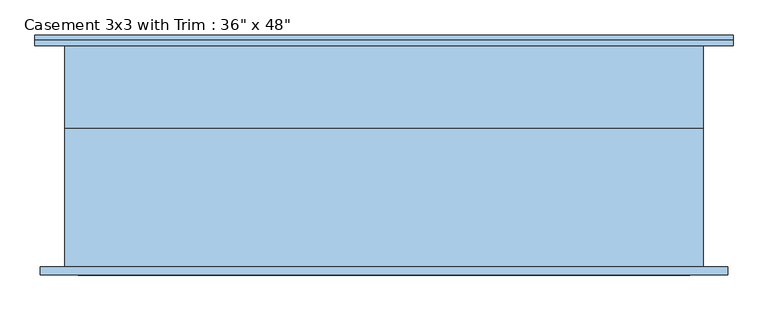
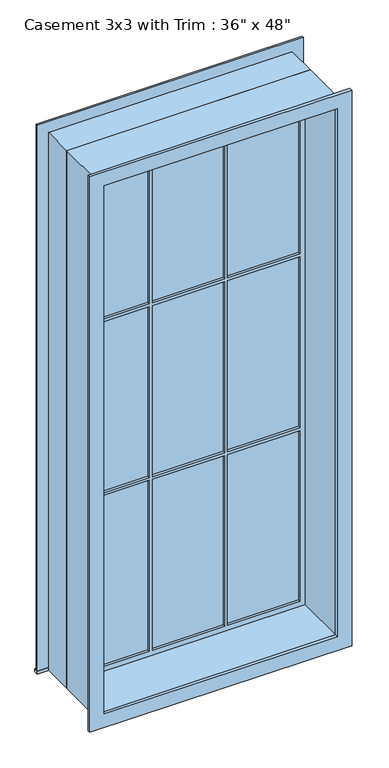
"""IFC4 building model written with IfcOpenShell, lengths in millimetres: window geometry."""

from ifc_helpers import new_model, si_unit, frame, origin, place, context, project, spatial, polyline, outline, extrude, source, transform, mapped, element, save


def window_1f0b4112(model_context):
    return source(origin(), model_context, "Body", "SweptSolid", [
        extrude(outline(polyline([(-819.85, 285.4), (819.85, 285.4), (819.85, 260.0), (-819.85, 260.0), (-819.85, 285.4)])), frame((0.0, 0.0, 914.4), z_axis=(0.0, 0.0, 1.0), x_axis=(1.0, 0.0, 0.0)), (0.0, 0.0, 1.0), 19.05),
        extrude(outline(polyline([(4395.35, -730.95), (4395.35, 730.95), (933.45, 730.95), (933.45, 819.85), (4484.25, 819.85), (4484.25, -819.85), (933.45, -819.85), (933.45, -730.95), (4395.35, -730.95)])), frame((0.0, 260.0, 0.0), z_axis=(0.0, 1.0, 0.0), x_axis=(0.0, 0.0, 1.0)), (0.0, 0.0, 1.0), 12.7),
        extrude(outline(polyline([(241.5333333, 94.125), (686.5, 94.125), (686.5, 81.425), (241.5333333, 81.425), (241.5333333, 94.125)])), frame((0.0, 0.0, 3239.2666667), z_axis=(0.0, 0.0, 1.0), x_axis=(1.0, 0.0, 0.0)), (0.0, 0.0, 1.0), 1111.6333333),
        extrude(outline(polyline([(-222.4833333, 94.125), (222.4833333, 94.125), (222.4833333, 81.425), (-222.4833333, 81.425), (-222.4833333, 94.125)])), frame((0.0, 0.0, 3239.2666667), z_axis=(0.0, 0.0, 1.0), x_axis=(1.0, 0.0, 0.0)), (0.0, 0.0, 1.0), 1111.6333333),
        extrude(outline(polyline([(-686.5, 94.125), (-241.5333333, 94.125), (-241.5333333, 81.425), (-686.5, 81.425), (-686.5, 94.125)])), frame((0.0, 0.0, 3239.2666667), z_axis=(0.0, 0.0, 1.0), x_axis=(1.0, 0.0, 0.0)), (0.0, 0.0, 1.0), 1111.6333333),
        extrude(outline(polyline([(-686.5, 94.125), (-241.5333333, 94.125), (-241.5333333, 81.425), (-686.5, 81.425), (-686.5, 94.125)])), frame((0.0, 0.0, 2108.5833333), z_axis=(0.0, 0.0, 1.0), x_axis=(1.0, 0.0, 0.0)), (0.0, 0.0, 1.0), 1111.6333333),
        extrude(outline(polyline([(-222.4833333, 94.125), (222.4833333, 94.125), (222.4833333, 81.425), (-222.4833333, 81.425), (-222.4833333, 94.125)])), frame((0.0, 0.0, 2108.5833333), z_axis=(0.0, 0.0, 1.0), x_axis=(1.0, 0.0, 0.0)), (0.0, 0.0, 1.0), 1111.6333333),
        extrude(outline(polyline([(241.5333333, 94.125), (686.5, 94.125), (686.5, 81.425), (241.5333333, 81.425), (241.5333333, 94.125)])), frame((0.0, 0.0, 2108.5833333), z_axis=(0.0, 0.0, 1.0), x_axis=(1.0, 0.0, 0.0)), (0.0, 0.0, 1.0), 1111.6333333),
        extrude(outline(polyline([(241.5333333, 94.125), (686.5, 94.125), (686.5, 81.425), (241.5333333, 81.425), (241.5333333, 94.125)])), frame((0.0, 0.0, 977.9), z_axis=(0.0, 0.0, 1.0), x_axis=(1.0, 0.0, 0.0)), (0.0, 0.0, 1.0), 1111.6333333),
        extrude(outline(polyline([(-222.4833333, 94.125), (222.4833333, 94.125), (222.4833333, 81.425), (-222.4833333, 81.425), (-222.4833333, 94.125)])), frame((0.0, 0.0, 977.9), z_axis=(0.0, 0.0, 1.0), x_axis=(1.0, 0.0, 0.0)), (0.0, 0.0, 1.0), 1111.6333333),
        extrude(outline(polyline([(-686.5, 94.125), (-241.5333333, 94.125), (-241.5333333, 81.425), (-686.5, 81.425), (-686.5, 94.125)])), frame((0.0, 0.0, 977.9), z_axis=(0.0, 0.0, 1.0), x_axis=(1.0, 0.0, 0.0)), (0.0, 0.0, 1.0), 1111.6333333),
        extrude(outline(polyline([(4471.55, 807.15), (4471.55, -807.15), (857.25, -807.15), (857.25, 807.15), (4471.55, 807.15)]), holes=[polyline([(4382.65, 718.25), (946.15, 718.25), (946.15, -718.25), (4382.65, -718.25), (4382.65, 718.25)])]), frame((0.0, -279.05, 0.0), z_axis=(0.0, 1.0, 0.0), x_axis=(0.0, 0.0, 1.0)), (0.0, 0.0, 1.0), 19.05),
        extrude(outline(polyline([(4395.35, -730.95), (933.45, -730.95), (933.45, 730.95), (4395.35, 730.95), (4395.35, -730.95)]), holes=[polyline([(4350.9, -241.5333333), (3239.2666667, -241.5333333), (3239.2666667, -686.5), (4350.9, -686.5), (4350.9, -241.5333333)]), polyline([(3220.2166667, -241.5333333), (2108.5833333, -241.5333333), (2108.5833333, -686.5), (3220.2166667, -686.5), (3220.2166667, -241.5333333)]), polyline([(2089.5333333, -241.5333333), (977.9, -241.5333333), (977.9, -686.5), (2089.5333333, -686.5), (2089.5333333, -241.5333333)]), polyline([(4350.9, 222.4833333), (3239.2666667, 222.4833333), (3239.2666667, -222.4833333), (4350.9, -222.4833333), (4350.9, 222.4833333)]), polyline([(3220.2166667, 222.4833333), (2108.5833333, 222.4833333), (2108.5833333, -222.4833333), (3220.2166667, -222.4833333), (3220.2166667, 222.4833333)]), polyline([(2089.5333333, 222.4833333), (977.9, 222.4833333), (977.9, -222.4833333), (2089.5333333, -222.4833333), (2089.5333333, 222.4833333)]), polyline([(4350.9, 686.5), (3239.2666667, 686.5), (3239.2666667, 241.5333333), (4350.9, 241.5333333), (4350.9, 686.5)]), polyline([(3220.2166667, 686.5), (2108.5833333, 686.5), (2108.5833333, 241.5333333), (3220.2166667, 241.5333333), (3220.2166667, 686.5)]), polyline([(2089.5333333, 686.5), (977.9, 686.5), (977.9, 241.5333333), (2089.5333333, 241.5333333), (2089.5333333, 686.5)])]), frame((0.0, 65.55, 0.0), z_axis=(0.0, 1.0, 0.0), x_axis=(0.0, 0.0, 1.0)), (0.0, 0.0, 1.0), 44.45),
        extrude(outline(polyline([(4414.4, -750.0), (914.4, -750.0), (914.4, 750.0), (4414.4, 750.0), (4414.4, -750.0)]), holes=[polyline([(4382.65, -718.25), (4382.65, 718.25), (946.15, 718.25), (946.15, -718.25), (4382.65, -718.25)])]), frame((0.0, -260.0, 0.0), z_axis=(0.0, 1.0, 0.0), x_axis=(0.0, 0.0, 1.0)), (0.0, 0.0, 1.0), 325.55),
        extrude(outline(polyline([(4414.4, 750.0), (4414.4, -750.0), (914.4, -750.0), (914.4, 750.0), (4414.4, 750.0)]), holes=[polyline([(4395.35, 730.95), (933.45, 730.95), (933.45, -730.95), (4395.35, -730.95), (4395.35, 730.95)])]), frame((0.0, 65.55, 0.0), z_axis=(0.0, 1.0, 0.0), x_axis=(0.0, 0.0, 1.0)), (0.0, 0.0, 1.0), 194.45),
    ])


if __name__ == "__main__":
    model = new_model("IFC4")
    model_context = context("Model", 3, world=origin())
    ifc_project = project(units=[si_unit("LENGTHUNIT", "METRE", prefix="MILLI")], contexts=[model_context])
    site = spatial("IfcSite", under=ifc_project)
    building = spatial("IfcBuilding", under=site)
    placement = place(None, origin())
    window_shape = window_1f0b4112(model_context)
    element("IfcWindow", 1, ObjectType="Casement 3x3 with Trim : 36\" x 48\"", at=placement, inside=building, context=model_context, shape_type="MappedRepresentation", body=[
        mapped(window_shape, transform((0.0, 0.0, 0.0), x_axis=(1.0, 0.0, 0.0), y_axis=(0.0, 1.0, 0.0), z_axis=(0.0, 0.0, 1.0))),
    ])
    save(model, "model.ifc")
